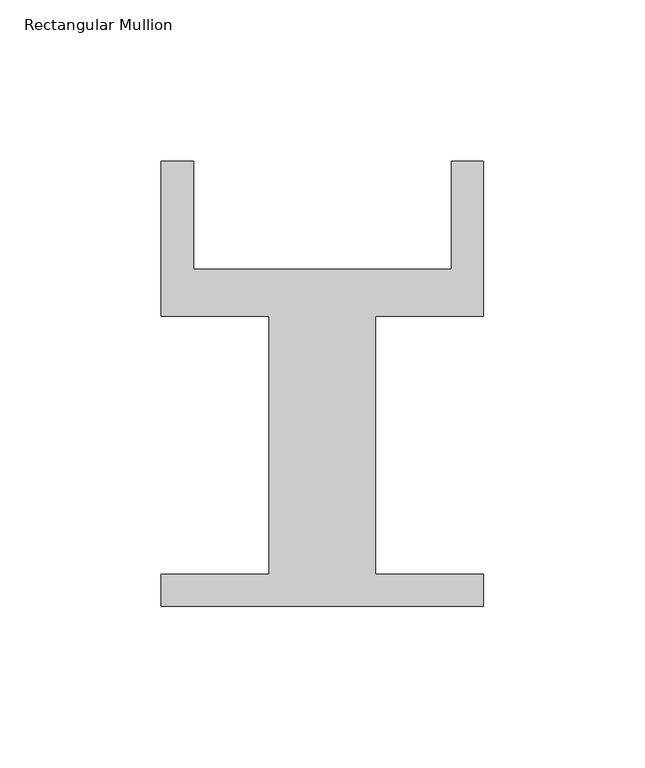
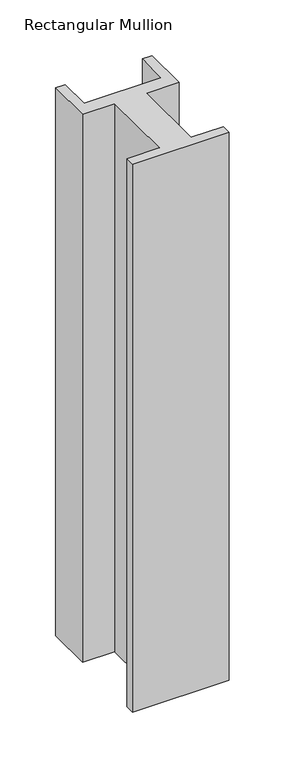
"""IFC4 building model written with IfcOpenShell, lengths in millimetres: member geometry, Rectangular Mullion."""

from ifc_helpers import new_model, si_unit, frame, origin, place, context, project, spatial, polyline, outline, extrude, source, transform, mapped, element, save


def rectangular_mullion_6e89831e(model_context):
    return source(origin(), model_context, "Body", "SweptSolid", [
        extrude(outline(polyline([(0.0, 40.0), (-33.5494902, 40.0), (-33.5494902, -40.0), (0.0, -40.0), (0.0, -50.0), (-100.0, -50.0), (-100.0, -40.0), (-66.4715162, -40.0), (-66.4715162, 40.0), (-100.0, 40.0), (-100.0, 88.0), (-90.0, 88.0), (-90.0, 54.5), (-10.0, 54.5), (-10.0, 88.0), (0.0, 88.0), (0.0, 40.0)])), frame((0.0, 0.0, -600.0), z_axis=(0.0, 0.0, 1.0), x_axis=(1.0, 0.0, 0.0)), (0.0, 0.0, 1.0), 600.0),
    ])


if __name__ == "__main__":
    model = new_model("IFC4")
    model_context = context("Model", 3, world=origin())
    ifc_project = project(units=[si_unit("LENGTHUNIT", "METRE", prefix="MILLI")], contexts=[model_context])
    site = spatial("IfcSite", under=ifc_project)
    building = spatial("IfcBuilding", under=site)
    placement = place(None, origin())
    rectangular_mullion_shape = rectangular_mullion_6e89831e(model_context)
    element("IfcMember", 1, ObjectType="Rectangular Mullion", at=placement, inside=building, context=model_context, shape_type="MappedRepresentation", body=[
        mapped(rectangular_mullion_shape, transform((0.0, 0.0, 0.0), x_axis=(1.0, 0.0, 0.0), y_axis=(0.0, 1.0, 0.0), z_axis=(0.0, 0.0, 1.0))),
    ])
    save(model, "model.ifc")
